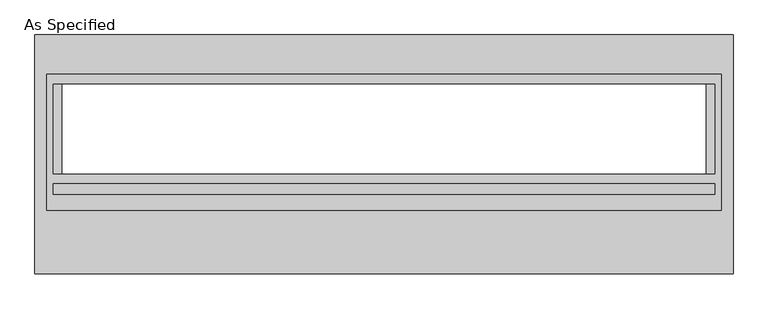
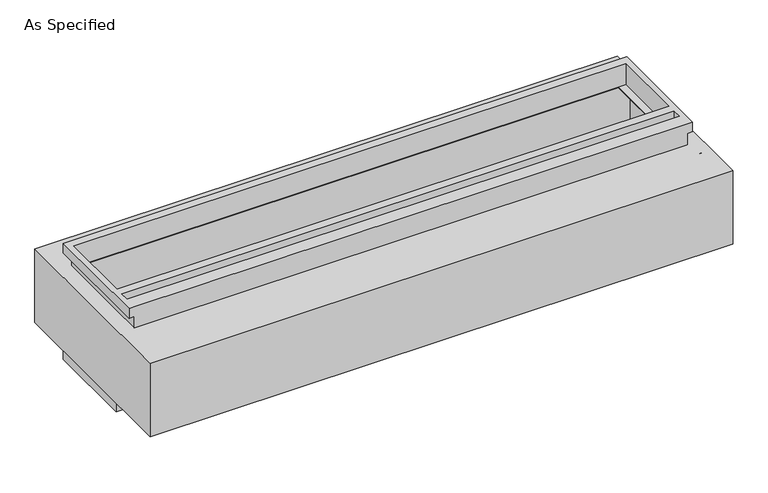
"""IFC4 building model written with IfcOpenShell, lengths in millimetres: proxy geometry, As Specified."""

from ifc_helpers import new_model, si_unit, frame, origin, place, context, project, spatial, polyline, circle_curve, faceted_brep, source, transform, mapped, element, save
from ifc_brep_helpers import plane_surface, revolved_surface, advanced_brep


def as_specified_f6907c42(model_context):
    return source(origin(), model_context, "Body", "SolidModel", [
        faceted_brep([(1917.7, 456.4558594, -682.7242188), (1917.7, -165.8441406, -682.7242188), (-1917.7, -165.8441406, -682.7242188), (-1917.7, 456.4558594, -682.7242188), (1879.6, -108.7933661, -682.7242188), (1879.6, 399.2065905, -682.7242188), (-1879.6, 399.2065905, -682.7242188), (-1879.6, -108.7933661, -682.7242188), (-1882.775, -165.8441406, -530.3242188), (1882.775, -165.8441406, -530.3242188), (1882.775, 421.5308594, -530.3242188), (-1882.775, 421.5308594, -530.3242188), (1879.6, 399.2065905, -530.3242188), (1879.6, -108.7933661, -530.3242188), (-1879.6, -108.7933661, -530.3242188), (-1879.6, 399.2065905, -530.3242188), (-1917.7, 456.4558594, -612.8742188), (1917.7, 456.4558594, -612.8742188), (-1917.7, -165.8441406, -612.8742188), (1917.7, -165.8441406, -612.8742188), (1882.775, -165.8441406, -612.8742188), (-1882.775, -165.8441406, -612.8742188), (-1882.775, 421.5308594, -612.8742188), (1882.775, 421.5308594, -612.8742188)], [[[0, 1, 2, 3], [4, 5, 6, 7]], [[8, 9, 10, 11], [12, 13, 14, 15]], [[0, 3, 16, 17]], [[3, 2, 18, 16]], [[2, 1, 19, 20, 9, 8, 21, 18]], [[1, 0, 17, 19]], [[22, 23, 20, 19, 17, 16, 18, 21]], [[23, 10, 9, 20]], [[23, 22, 11, 10]], [[11, 22, 21, 8]], [[12, 5, 4, 13]], [[13, 4, 7, 14]], [[14, 7, 6, 15]], [[5, 12, 15, 6]]]),
        advanced_brep(
        [(1983.58125, 678.7058594, -530.3242188), (1983.58125, -678.7058594, -530.3242188), (-1983.58125, -678.7058594, -530.3242188), (-1983.58125, 678.7058594, -530.3242188), (1828.8, -108.7933661, -530.3242188), (1828.8, 399.2065905, -530.3242188), (-1828.8, 399.2065905, -530.3242188), (-1828.8, -108.7933661, -530.3242188), (1983.58125, 678.7058594, 0.0), (-1983.58125, 678.7058594, 0.0), (-1983.58125, -678.7058594, 0.0), (1983.58125, -678.7058594, 0.0), (1828.8, 399.2065905, 0.0), (1828.8, -108.7933661, 0.0), (-1828.8, -108.7933661, 0.0), (-1828.8, 399.2065905, 0.0), (1983.58125, -318.2441406, -430.3117188), (1983.58125, -340.4691406, -430.3117188), (1983.58125, -216.6441406, -430.3117188), (1983.58125, -238.8691406, -430.3117188), (1983.58125, -318.2441406, -100.1117188), (1983.58125, -340.4691406, -100.1117188), (1983.58125, -216.6441406, -100.1117188), (1983.58125, -238.8691406, -100.1117188), (1917.7, 416.7683594, -527.05), (-1917.7, 416.7683594, -527.05), (-1917.7, -129.3316406, -527.05), (1917.7, -129.3316406, -527.05), (1828.8, 399.2065905, -527.05), (1828.8, -108.7933661, -527.05), (-1828.8, -108.7933661, -527.05), (-1828.8, 399.2065905, -527.05), (1917.7, 416.7683594, -3.175), (1917.7, -129.3316406, -3.175), (-1917.7, -129.3316406, -3.175), (-1917.7, 416.7683594, -3.175), (1828.8, -108.7933661, -3.175), (1828.8, 399.2065905, -3.175), (-1828.8, 399.2065905, -3.175), (-1828.8, -108.7933661, -3.175), (1967.728271, -340.4691406, -430.3117188), (1967.728271, -318.2441406, -430.3117188), (1967.728271, -238.8691406, -430.3117188), (1967.728271, -216.6441406, -430.3117188), (1967.728271, -340.4691406, -100.1117188), (1967.728271, -318.2441406, -100.1117188), (1967.728271, -238.8691406, -100.1117188), (1967.728271, -216.6441406, -100.1117188)],
        [
            (0, 1),
            (1, 2),
            (2, 3),
            (3, 0),
            (4, 5),
            (5, 6),
            (6, 7),
            (7, 4),
            (8, 9),
            (9, 10),
            (10, 11),
            (11, 8),
            (12, 13),
            (13, 14),
            (14, 15),
            (15, 12),
            (3, 9),
            (8, 0),
            (2, 10),
            (1, 11),
            (16, 17, circle_curve(frame((1983.58125, -329.3566406, -430.3117188), z_axis=(-1.0, 0.0, 0.0), x_axis=(0.0, 1.0, 0.0)), 11.1125)),
            (17, 16, circle_curve(frame((1983.58125, -329.3566406, -430.3117188), z_axis=(-1.0, 0.0, 0.0), x_axis=(0.0, 1.0, 0.0)), 11.1125)),
            (18, 19, circle_curve(frame((1983.58125, -227.7566406, -430.3117188), z_axis=(-1.0, 0.0, 0.0), x_axis=(0.0, 1.0, 0.0)), 11.1125)),
            (19, 18, circle_curve(frame((1983.58125, -227.7566406, -430.3117188), z_axis=(-1.0, 0.0, 0.0), x_axis=(0.0, 1.0, 0.0)), 11.1125)),
            (20, 21, circle_curve(frame((1983.58125, -329.3566406, -100.1117188), z_axis=(-1.0, 0.0, 0.0), x_axis=(0.0, 1.0, 0.0)), 11.1125)),
            (21, 20, circle_curve(frame((1983.58125, -329.3566406, -100.1117188), z_axis=(-1.0, 0.0, 0.0), x_axis=(0.0, 1.0, 0.0)), 11.1125)),
            (22, 23, circle_curve(frame((1983.58125, -227.7566406, -100.1117188), z_axis=(-1.0, 0.0, 0.0), x_axis=(0.0, 1.0, 0.0)), 11.1125)),
            (23, 22, circle_curve(frame((1983.58125, -227.7566406, -100.1117188), z_axis=(-1.0, 0.0, 0.0), x_axis=(0.0, 1.0, 0.0)), 11.1125)),
            (24, 25),
            (25, 26),
            (26, 27),
            (27, 24),
            (28, 29),
            (29, 30),
            (30, 31),
            (31, 28),
            (32, 33),
            (33, 34),
            (34, 35),
            (35, 32),
            (36, 37),
            (37, 38),
            (38, 39),
            (39, 36),
            (27, 33),
            (32, 24),
            (26, 34),
            (25, 35),
            (12, 37),
            (36, 13),
            (39, 14),
            (38, 15),
            (40, 41, circle_curve(frame((1967.728271, -329.3566406, -430.3117188), z_axis=(1.0, 0.0, 0.0), x_axis=(0.0, 1.0, 0.0)), 11.1125)),
            (41, 40, circle_curve(frame((1967.728271, -329.3566406, -430.3117188), z_axis=(1.0, 0.0, 0.0), x_axis=(0.0, 1.0, 0.0)), 11.1125)),
            (42, 43, circle_curve(frame((1967.728271, -227.7566406, -430.3117188), z_axis=(1.0, 0.0, 0.0), x_axis=(0.0, 1.0, 0.0)), 11.1125)),
            (43, 42, circle_curve(frame((1967.728271, -227.7566406, -430.3117188), z_axis=(1.0, 0.0, 0.0), x_axis=(0.0, 1.0, 0.0)), 11.1125)),
            (44, 45, circle_curve(frame((1967.728271, -329.3566406, -100.1117188), z_axis=(1.0, 0.0, 0.0), x_axis=(0.0, 1.0, 0.0)), 11.1125)),
            (45, 44, circle_curve(frame((1967.728271, -329.3566406, -100.1117188), z_axis=(1.0, 0.0, 0.0), x_axis=(0.0, 1.0, 0.0)), 11.1125)),
            (46, 47, circle_curve(frame((1967.728271, -227.7566406, -100.1117188), z_axis=(1.0, 0.0, 0.0), x_axis=(0.0, 1.0, 0.0)), 11.1125)),
            (47, 46, circle_curve(frame((1967.728271, -227.7566406, -100.1117188), z_axis=(1.0, 0.0, 0.0), x_axis=(0.0, 1.0, 0.0)), 11.1125)),
            (40, 17),
            (16, 41),
            (42, 19),
            (18, 43),
            (44, 21),
            (20, 45),
            (46, 23),
            (22, 47),
            (4, 29),
            (28, 5),
            (7, 30),
            (6, 31),
        ],
        [
            plane_surface(frame((-1983.58125, 678.7058594, -530.3242188), z_axis=(0.0, 0.0, -1.0), x_axis=(1.0, 0.0, 0.0))),
            plane_surface(frame((-1983.58125, 678.7058594, 0.0), z_axis=(0.0, 0.0, 1.0), x_axis=(-1.0, 0.0, 0.0))),
            plane_surface(frame((1983.58125, 678.7058594, 0.0), z_axis=(0.0, 1.0, 0.0), x_axis=(0.0, 0.0, -1.0))),
            plane_surface(frame((-1983.58125, 678.7058594, 0.0), z_axis=(-1.0, 0.0, 0.0), x_axis=(0.0, 0.0, -1.0))),
            plane_surface(frame((-1983.58125, -678.7058594, 0.0), z_axis=(0.0, -1.0, 0.0), x_axis=(0.0, 0.0, -1.0))),
            plane_surface(frame((1983.58125, -678.7058594, 0.0), z_axis=(1.0, 0.0, 0.0), x_axis=(0.0, 0.0, -1.0))),
            plane_surface(frame((1917.7, 416.7683594, -527.05), z_axis=(0.0, 0.0, 1.0), x_axis=(0.0, -1.0, 0.0))),
            plane_surface(frame((1917.7, 416.7683594, -3.175), z_axis=(0.0, 0.0, -1.0), x_axis=(0.0, 1.0, 0.0))),
            plane_surface(frame((1917.7, 416.7683594, -527.05), z_axis=(-1.0, 0.0, 0.0), x_axis=(0.0, 0.0, 1.0))),
            plane_surface(frame((1917.7, -129.3316406, -527.05), z_axis=(0.0, 1.0, 0.0), x_axis=(0.0, 0.0, 1.0))),
            plane_surface(frame((-1917.7, -129.3316406, -527.05), z_axis=(1.0, 0.0, 0.0), x_axis=(0.0, 0.0, 1.0))),
            plane_surface(frame((-1917.7, 416.7683594, -527.05), z_axis=(0.0, -1.0, 0.0), x_axis=(0.0, 0.0, 1.0))),
            plane_surface(frame((1828.8, 399.2065905, -25.4), z_axis=(-1.0, 0.0, 0.0), x_axis=(0.0, 0.0, 1.0))),
            plane_surface(frame((1828.8, -108.7933661, -25.4), z_axis=(0.0, 1.0, 0.0), x_axis=(0.0, 0.0, 1.0))),
            plane_surface(frame((-1828.8, -108.7933661, -25.4), z_axis=(1.0, 0.0, 0.0), x_axis=(0.0, 0.0, 1.0))),
            plane_surface(frame((-1828.8, 399.2065905, -25.4), z_axis=(0.0, -1.0, 0.0), x_axis=(0.0, 0.0, 1.0))),
            plane_surface(frame((1967.728271, -318.2441406, -430.3117188), z_axis=(1.0, 0.0, 0.0), x_axis=(0.0, 0.0, -1.0))),
            revolved_surface(polyline([(1983.58125, -318.2441406, -430.3117188), (1967.728271, -318.2441406, -430.3117188)]), (1967.728271, -329.3566406, -430.3117188), (1.0, 0.0, 0.0)),
            revolved_surface(polyline([(1983.58125, -216.6441406, -430.3117188), (1967.728271, -216.6441406, -430.3117188)]), (0.0, -227.7566406, -430.3117188), (1.0, 0.0, 0.0)),
            revolved_surface(polyline([(1983.58125, -318.2441406, -100.1117187), (1967.728271, -318.2441406, -100.1117187)]), (0.0, -329.3566406, -100.1117187), (1.0, 0.0, 0.0)),
            revolved_surface(polyline([(1983.58125, -216.6441406, -100.1117188), (1967.728271, -216.6441406, -100.1117188)]), (0.0, -227.7566406, -100.1117188), (1.0, 0.0, 0.0)),
            plane_surface(frame((1828.8, -108.7933661, -504.9242188), z_axis=(-1.0, 0.0, 0.0), x_axis=(0.0, 0.0, -1.0))),
            plane_surface(frame((-1828.8, -108.7933661, -504.9242188), z_axis=(0.0, 1.0, 0.0), x_axis=(0.0, 0.0, -1.0))),
            plane_surface(frame((-1828.8, 399.2065905, -504.9242188), z_axis=(1.0, 0.0, 0.0), x_axis=(0.0, 0.0, -1.0))),
            plane_surface(frame((1828.8, 399.2065905, -504.9242188), z_axis=(0.0, -1.0, 0.0), x_axis=(0.0, 0.0, -1.0))),
        ],
        [
            (0, [[1, 2, 3, 4], [5, 6, 7, 8]]),
            (1, [[9, 10, 11, 12], [13, 14, 15, 16]]),
            (2, [[-4, 17, -9, 18]]),
            (3, [[-3, 19, -10, -17]]),
            (4, [[-2, 20, -11, -19]]),
            (5, [[-1, -18, -12, -20], [21, 22], [23, 24], [25, 26], [27, 28]]),
            (6, [[29, 30, 31, 32], [33, 34, 35, 36]]),
            (7, [[37, 38, 39, 40], [41, 42, 43, 44]]),
            (8, [[-32, 45, -37, 46]]),
            (9, [[-31, 47, -38, -45]]),
            (10, [[-30, 48, -39, -47]]),
            (11, [[-29, -46, -40, -48]]),
            (12, [[49, -41, 50, -13]]),
            (13, [[-50, -44, 51, -14]]),
            (14, [[-51, -43, 52, -15]]),
            (15, [[-49, -16, -52, -42]]),
            (16, [[53, 54]]),
            (16, [[55, 56]]),
            (16, [[57, 58]]),
            (16, [[59, 60]]),
            (17, [[-53, 61, -21, 62]]),
            (17, [[-54, -62, -22, -61]]),
            (18, [[-55, 63, -23, 64]]),
            (18, [[-56, -64, -24, -63]]),
            (19, [[-57, 65, -25, 66]]),
            (19, [[-58, -66, -26, -65]]),
            (20, [[-59, 67, -27, 68]]),
            (20, [[-60, -68, -28, -67]]),
            (21, [[69, -33, 70, -5]]),
            (22, [[-69, -8, 71, -34]]),
            (23, [[-71, -7, 72, -35]]),
            (24, [[-72, -6, -70, -36]]),
        ],
    ),
        faceted_brep([(1917.7, 456.4558594, 152.4), (-1917.7, 456.4558594, 152.4), (-1917.7, -318.2441406, 152.4), (1917.7, -318.2441406, 152.4), (1879.6, 399.2065905, 152.4), (1879.6, -108.7933661, 152.4), (-1879.6, -108.7933661, 152.4), (-1879.6, 399.2065905, 152.4), (1879.6, -167.4316406, 152.4), (1879.6, -227.7566406, 152.4), (-1879.6, -227.7566406, 152.4), (-1879.6, -167.4316406, 152.4), (1882.775, -318.2441406, 0.0), (-1882.775, -318.2441406, 0.0), (-1882.775, 421.5308594, 0.0), (1882.775, 421.5308594, 0.0), (1879.6, -108.7933661, 0.0), (1879.6, 399.2065905, 0.0), (-1879.6, 399.2065905, 0.0), (-1879.6, -108.7933661, 0.0), (1917.7, 456.4558594, 82.55), (-1917.7, 456.4558594, 82.55), (-1917.7, -318.2441406, 82.55), (-1882.775, -318.2441406, 82.55), (1882.775, -318.2441406, 82.55), (1917.7, -318.2441406, 82.55), (1882.775, 421.5308594, 82.55), (-1882.775, 421.5308594, 82.55), (1879.6, -167.4316406, 82.55), (-1879.6, -167.4316406, 82.55), (-1879.6, -227.7566406, 82.55), (1879.6, -227.7566406, 82.55)], [[[0, 1, 2, 3], [4, 5, 6, 7], [8, 9, 10, 11]], [[12, 13, 14, 15], [16, 17, 18, 19]], [[1, 0, 20, 21]], [[2, 1, 21, 22]], [[3, 2, 22, 23, 13, 12, 24, 25]], [[0, 3, 25, 20]], [[24, 26, 27, 23, 22, 21, 20, 25]], [[26, 24, 12, 15]], [[27, 26, 15, 14]], [[23, 27, 14, 13]], [[16, 5, 4, 17]], [[5, 16, 19, 6]], [[6, 19, 18, 7]], [[17, 4, 7, 18]], [[28, 29, 30, 31]], [[28, 31, 9, 8]], [[31, 30, 10, 9]], [[30, 29, 11, 10]], [[29, 28, 8, 11]]]),
    ])


if __name__ == "__main__":
    model = new_model("IFC4")
    model_context = context("Model", 3, world=origin())
    ifc_project = project(units=[si_unit("LENGTHUNIT", "METRE", prefix="MILLI")], contexts=[model_context])
    site = spatial("IfcSite", under=ifc_project)
    building = spatial("IfcBuilding", under=site)
    placement = place(None, origin())
    as_specified_shape = as_specified_f6907c42(model_context)
    element("IfcBuildingElementProxy", 1, Name="As Specified", ObjectType="As Specified", at=placement, inside=building, context=model_context, shape_type="MappedRepresentation", body=[
        mapped(as_specified_shape, transform((0.0, 0.0, 0.0), x_axis=(1.0, 0.0, 0.0), y_axis=(0.0, 1.0, 0.0), z_axis=(0.0, 0.0, 1.0))),
    ])
    save(model, "model.ifc")
